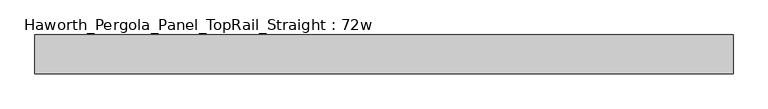
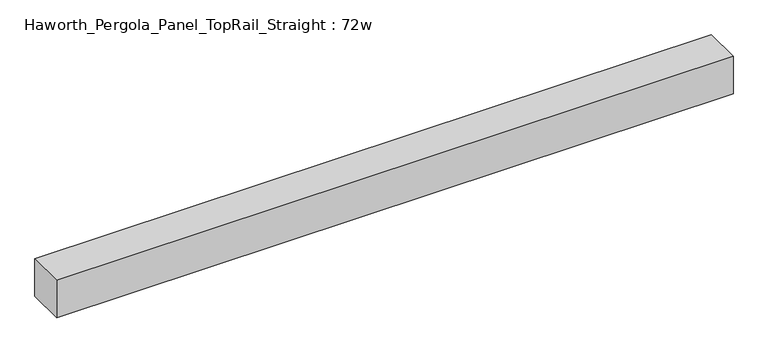
"""IFC4 building model written with IfcOpenShell, lengths in millimetres: furniture geometry, Haworth_Pergola_Panel_TopRail_Straight : 72w."""

from ifc_helpers import new_model, si_unit, frame, origin, place, context, project, spatial, polyline, outline, extrude, source, transform, mapped, element, save


def haworth_pergola_panel_toprail_straight_72w_b9e5b368(model_context):
    return source(origin(), model_context, "Body", "SweptSolid", [
        extrude(outline(polyline([(2425.7, 50.8), (2425.7, -50.8), (596.9, -50.8), (596.9, 50.8), (2425.7, 50.8)])), frame((0.0, 0.0, 2331.8390625), z_axis=(0.0, 0.0, 1.0), x_axis=(1.0, 0.0, 0.0)), (0.0, 0.0, 1.0), 106.5609375),
    ])


if __name__ == "__main__":
    model = new_model("IFC4")
    model_context = context("Model", 3, world=origin())
    ifc_project = project(units=[si_unit("LENGTHUNIT", "METRE", prefix="MILLI")], contexts=[model_context])
    site = spatial("IfcSite", under=ifc_project)
    building = spatial("IfcBuilding", under=site)
    placement = place(None, origin())
    haworth_pergola_panel_toprail_straight_72w_shape = haworth_pergola_panel_toprail_straight_72w_b9e5b368(model_context)
    element("IfcFurniture", 1, ObjectType="Haworth_Pergola_Panel_TopRail_Straight : 72w", at=placement, inside=building, context=model_context, shape_type="MappedRepresentation", body=[
        mapped(haworth_pergola_panel_toprail_straight_72w_shape, transform((0.0, 0.0, 0.0), x_axis=(1.0, 0.0, 0.0), y_axis=(0.0, 1.0, 0.0), z_axis=(0.0, 0.0, 1.0))),
    ])
    save(model, "model.ifc")
